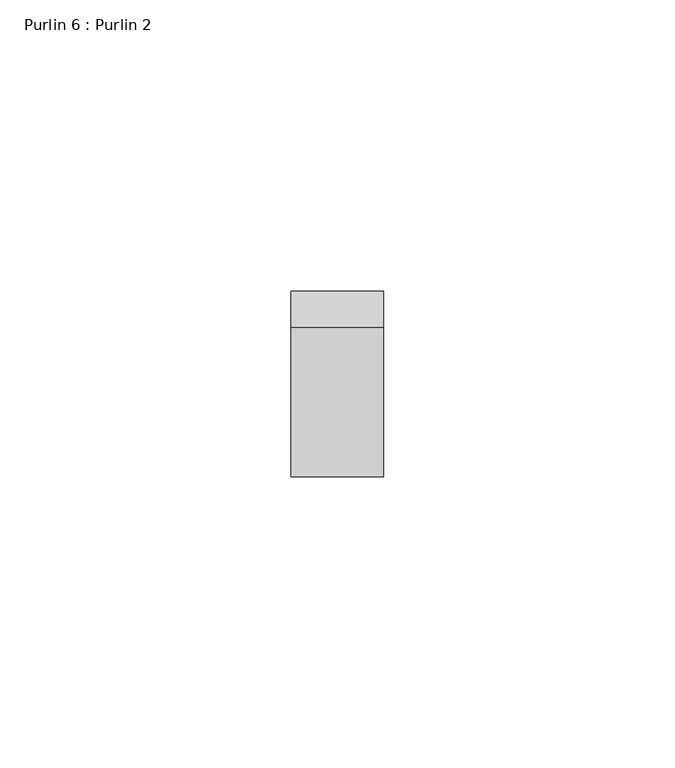
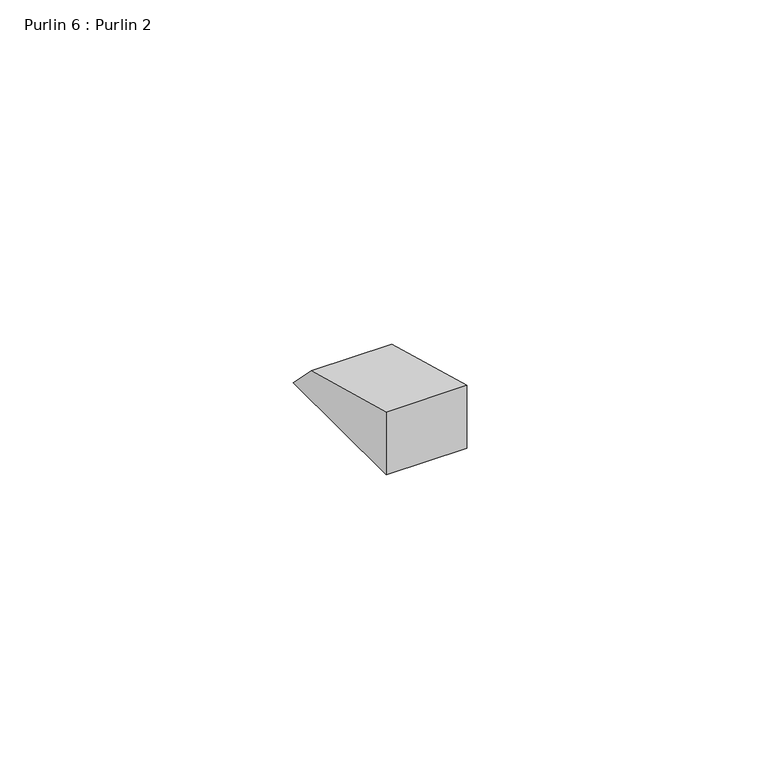
"""IFC4 building model written with IfcOpenShell, lengths in millimetres: proxy geometry, Purlin 6 : Purlin 2."""

from ifc_helpers import new_model, si_unit, frame, origin, place, context, project, spatial, polyline, outline, extrude, source, transform, mapped, element, save


def purlin_6_purlin_2_14ca1eed(model_context):
    return source(origin(), model_context, "Body", "SweptSolid", [
        extrude(outline(polyline([(9061.0187652, 2287.9178282), (9029.2687652, 2287.9178282), (9029.2687652, 2301.0020936), (9054.7666328, 2294.1699605), (9061.0187652, 2287.9178282)])), frame((-5138.086916, 0.0, 0.0), z_axis=(1.0, 0.0, 0.0), x_axis=(0.0, 1.0, 0.0)), (0.0, 0.0, 1.0), 15.869307),
    ])


if __name__ == "__main__":
    model = new_model("IFC4")
    model_context = context("Model", 3, world=origin())
    ifc_project = project(units=[si_unit("LENGTHUNIT", "METRE", prefix="MILLI")], contexts=[model_context])
    site = spatial("IfcSite", under=ifc_project)
    building = spatial("IfcBuilding", under=site)
    placement = place(None, origin())
    purlin_6_purlin_2_shape = purlin_6_purlin_2_14ca1eed(model_context)
    element("IfcBuildingElementProxy", 1, Name="Purlin 6 : Purlin 2", ObjectType="Purlin 6 : Purlin 2", at=placement, inside=building, context=model_context, shape_type="MappedRepresentation", body=[
        mapped(purlin_6_purlin_2_shape, transform((0.0, 0.0, 0.0), x_axis=(1.0, 0.0, 0.0), y_axis=(0.0, 1.0, 0.0), z_axis=(0.0, 0.0, 1.0))),
    ])
    save(model, "model.ifc")
